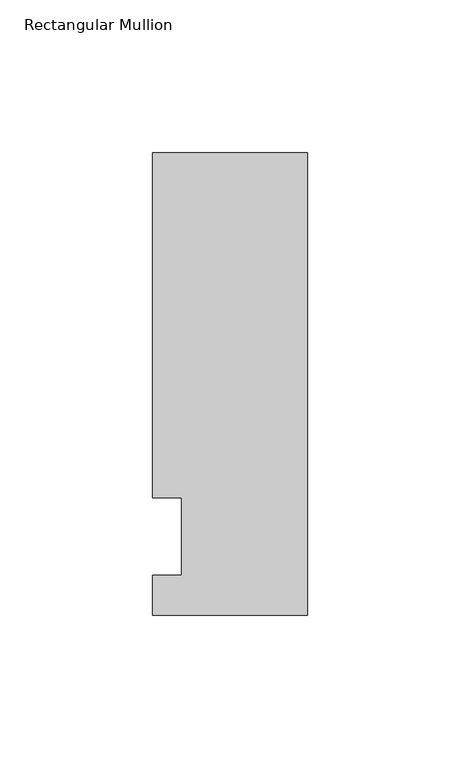
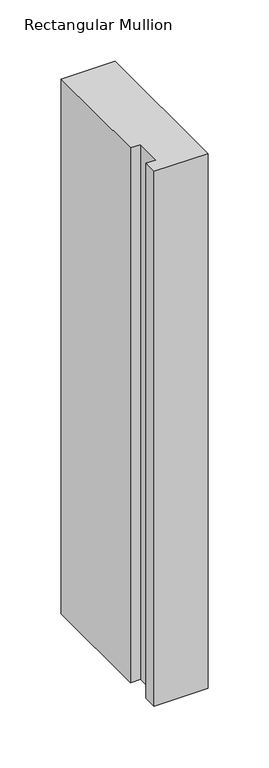
"""IFC4 building model written with IfcOpenShell, lengths in millimetres: member geometry, Rectangular Mullion."""

from ifc_helpers import new_model, si_unit, frame, origin, place, context, project, spatial, polyline, outline, extrude, source, transform, mapped, element, save


def rectangular_mullion_7de6ec17(model_context):
    return source(origin(), model_context, "Body", "SweptSolid", [
        extrude(outline(polyline([(-50.8, -25.7961253), (-50.8, -12.7), (-41.275, -12.7), (-41.275, 12.7), (-50.8, 12.7), (-50.8, 125.8036906), (0.0, 125.8036906), (0.0, -25.7961253), (-50.8, -25.7961253)])), frame((0.0, 0.0, -533.4), z_axis=(0.0, 0.0, 1.0), x_axis=(1.0, 0.0, 0.0)), (0.0, 0.0, 1.0), 533.4),
    ])


if __name__ == "__main__":
    model = new_model("IFC4")
    model_context = context("Model", 3, world=origin())
    ifc_project = project(units=[si_unit("LENGTHUNIT", "METRE", prefix="MILLI")], contexts=[model_context])
    site = spatial("IfcSite", under=ifc_project)
    building = spatial("IfcBuilding", under=site)
    placement = place(None, origin())
    rectangular_mullion_shape = rectangular_mullion_7de6ec17(model_context)
    element("IfcMember", 1, ObjectType="Rectangular Mullion", at=placement, inside=building, context=model_context, shape_type="MappedRepresentation", body=[
        mapped(rectangular_mullion_shape, transform((0.0, 0.0, 0.0), x_axis=(1.0, 0.0, 0.0), y_axis=(0.0, 1.0, 0.0), z_axis=(0.0, 0.0, 1.0))),
    ])
    save(model, "model.ifc")
